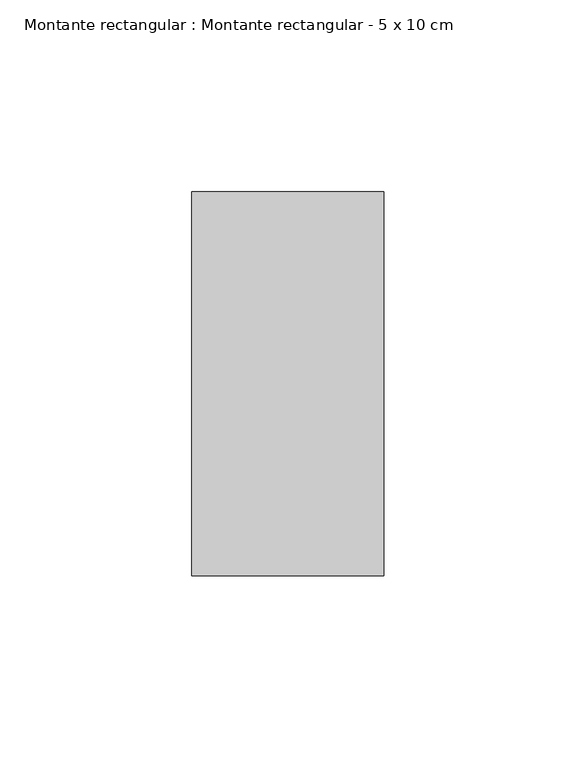
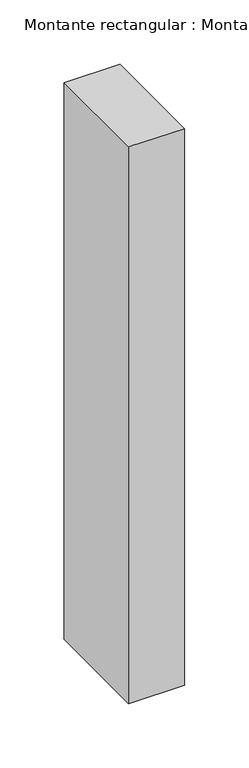
"""IFC4 building model written with IfcOpenShell, lengths in millimetres: member geometry, Montante rectangular : Montante rectangular - 5 x 10 cm."""

from ifc_helpers import new_model, si_unit, frame, origin, place, context, project, spatial, polyline, outline, extrude, source, transform, mapped, element, save


def montante_rectangular_montante_rectangular_5_x_10_cm_2b961c40(model_context):
    return source(origin(), model_context, "Body", "SweptSolid", [
        extrude(outline(polyline([(-50.0, 50.0), (0.0, 50.0), (0.0, -50.0), (-50.0, -50.0), (-50.0, 50.0)])), frame((0.0, 0.0, -527.0), z_axis=(0.0, 0.0, 1.0), x_axis=(1.0, 0.0, 0.0)), (0.0, 0.0, 1.0), 527.0),
    ])


if __name__ == "__main__":
    model = new_model("IFC4")
    model_context = context("Model", 3, world=origin())
    ifc_project = project(units=[si_unit("LENGTHUNIT", "METRE", prefix="MILLI")], contexts=[model_context])
    site = spatial("IfcSite", under=ifc_project)
    building = spatial("IfcBuilding", under=site)
    placement = place(None, origin())
    montante_rectangular_montante_rectangular_5_x_10_cm_shape = montante_rectangular_montante_rectangular_5_x_10_cm_2b961c40(model_context)
    element("IfcMember", 1, ObjectType="Montante rectangular : Montante rectangular - 5 x 10 cm", at=placement, inside=building, context=model_context, shape_type="MappedRepresentation", body=[
        mapped(montante_rectangular_montante_rectangular_5_x_10_cm_shape, transform((0.0, 0.0, 0.0), x_axis=(1.0, 0.0, 0.0), y_axis=(0.0, 1.0, 0.0), z_axis=(0.0, 0.0, 1.0))),
    ])
    save(model, "model.ifc")
